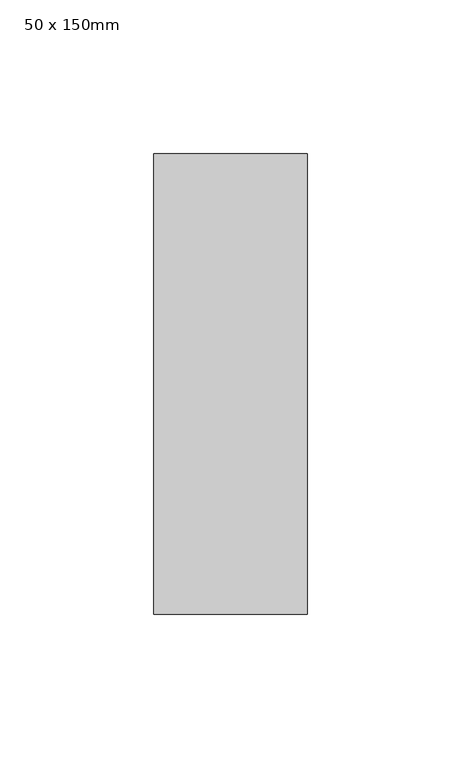
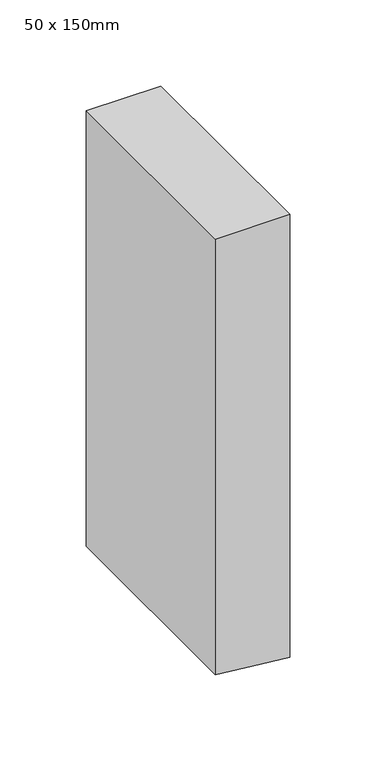
"""IFC4 building model written with IfcOpenShell, lengths in millimetres: member geometry, 50 x 150mm."""

from ifc_helpers import new_model, si_unit, frame, origin, place, context, project, spatial, polyline, outline, extrude, source, transform, mapped, element, save


def member_50_x_150mm_d8352ebb(model_context):
    return source(origin(), model_context, "Body", "SweptSolid", [
        extrude(outline(polyline([(0.0, 25.0), (0.0, -25.0), (-308.8299018, -25.0), (-311.8715895, 5.0374051), (-313.8930684, 25.0), (0.0, 25.0)])), frame((0.0, -75.0, 0.0), z_axis=(0.0, 1.0, 0.0), x_axis=(0.0, 0.0, 1.0)), (0.0, 0.0, 1.0), 150.0),
    ])


if __name__ == "__main__":
    model = new_model("IFC4")
    model_context = context("Model", 3, world=origin())
    ifc_project = project(units=[si_unit("LENGTHUNIT", "METRE", prefix="MILLI")], contexts=[model_context])
    site = spatial("IfcSite", under=ifc_project)
    building = spatial("IfcBuilding", under=site)
    placement = place(None, origin())
    member_50_x_150mm_shape = member_50_x_150mm_d8352ebb(model_context)
    element("IfcMember", 1, ObjectType="50 x 150mm", at=placement, inside=building, context=model_context, shape_type="MappedRepresentation", body=[
        mapped(member_50_x_150mm_shape, transform((0.0, 0.0, 0.0), x_axis=(1.0, 0.0, 0.0), y_axis=(0.0, 1.0, 0.0), z_axis=(0.0, 0.0, 1.0))),
    ])
    save(model, "model.ifc")
